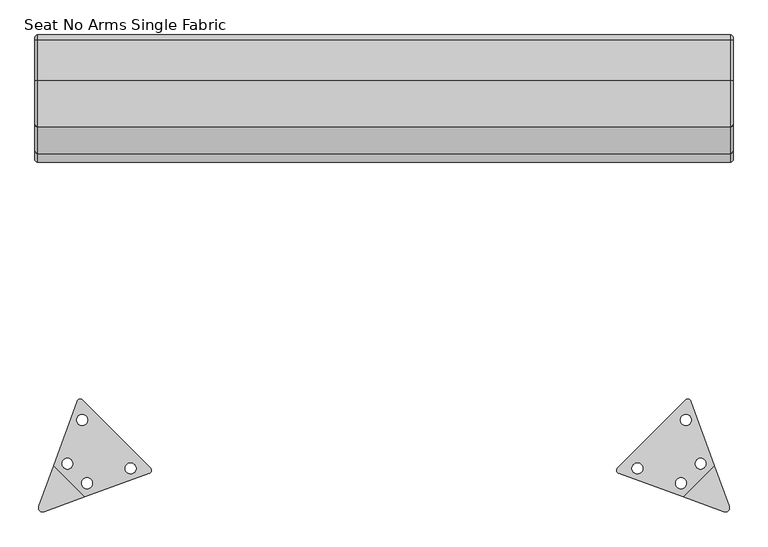
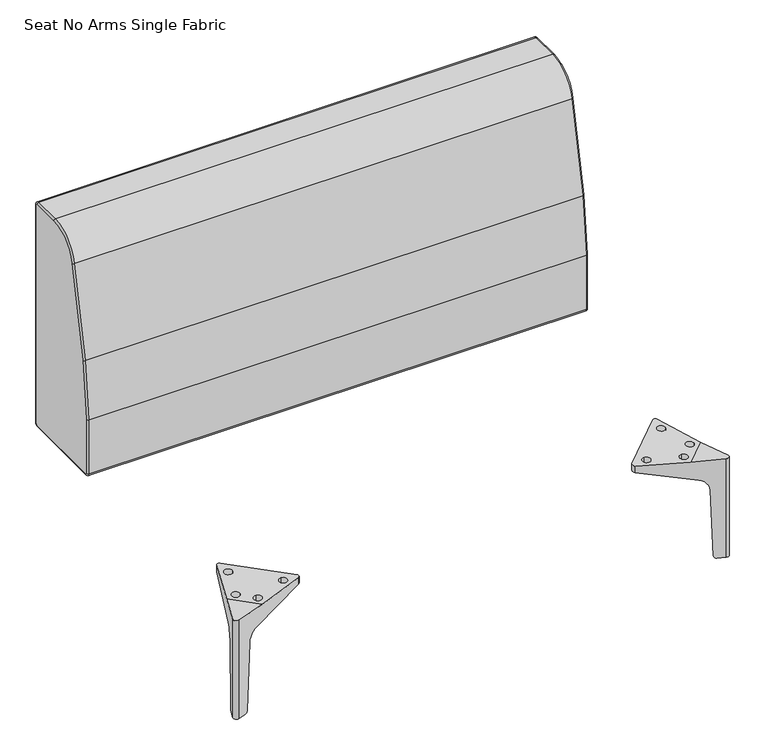
"""IFC4 building model written with IfcOpenShell, lengths in millimetres: furniture geometry, Seat No Arms Single Fabric."""

from ifc_helpers import new_model, si_unit, point, frame, origin, place, context, project, spatial, polyline, circle_curve, ellipse_curve, trimmed, source, transform, mapped, element, save
from ifc_brep_helpers import plane_surface, cylinder_surface, revolved_surface, advanced_brep


def seat_no_arms_single_fabric_af2d0e70(model_context):
    return source(origin(), model_context, "Body", "AdvancedBrep", [
        advanced_brep(
        [(494.5246751, -340.9893154, 0.0), (478.23221, -335.0592703, 0.0), (496.2806052, -317.0108752, 0.0), (502.2106124, -333.3034034, 0.0), (494.2956857, -311.5573649, 5.835), (492.2366652, -305.900264, 147.4277276), (485.3683082, -287.0296461, 170.8134729), (446.5717849, -180.4372885, 201.1142658), (446.5717849, -180.4372885, 214.9993964), (480.5698757, -273.8460875, 211.0000205), (502.2106124, -333.3034034, 211.0000205), (494.5246751, -340.9893154, 211.0000205), (435.0675404, -319.3484228, 211.0000205), (341.5311271, -285.3035352, 215.0048713), (341.5311271, -285.3035352, 201.1506152), (448.2510629, -324.1468914, 170.8134729), (467.1216292, -331.0153, 147.4277276), (472.7787146, -333.074336, 5.835), (339.7382382, -277.2161564, 215.3150186), (339.7382382, -277.2161564, 203.2097819), (438.3425719, -178.6128952, 215.3149849), (438.3425719, -178.6128952, 203.2095584), (468.4708396, -270.9884082, 211.4695204), (452.5590182, -270.9884082, 211.9690017), (452.5590182, -270.9884082, 180.994511), (468.4708396, -270.9884082, 177.6782959), (432.1142874, -307.3449604, 211.4695204), (432.1142874, -291.433139, 211.9690017), (432.1142874, -291.433139, 180.994511), (432.1142874, -307.3449604, 177.6782959), (368.5447057, -286.0025145, 214.1349581), (368.5447057, -270.0906931, 214.6344393), (368.5447057, -270.0906931, 198.6911997), (368.5447057, -286.0025145, 195.3749846), (447.1283937, -207.4188265, 214.1349581), (431.2165723, -207.4188265, 214.6344393), (431.2165723, -207.4188265, 198.6911997), (447.1283937, -207.4188265, 195.3749846)],
        [
            (0, 1),
            (1, 2),
            (2, 3),
            (3, 0, circle_curve(frame((496.5756547, -335.3543644, 0.0), z_axis=(0.0, 0.0, -1.0), x_axis=(-1.0, 0.0, 0.0)), 5.9965982)),
            (2, 4, ellipse_curve(frame((496.6084225, -317.911544, 6.0711526), z_axis=(0.9396923998770215, 0.34202075026723755, 0.0), x_axis=(0.34202075026723766, -0.9396923998770214, 0.0)), 6.7669962, 6.1329832)),
            (4, 5),
            (5, 6, ellipse_curve(frame((482.6583719, -279.5841721, 146.449692), z_axis=(-0.9396923998770215, -0.34202075026723755, 0.0), x_axis=(-0.34202075026723766, 0.9396923998770214, 0.0)), 28.0257907, 25.4)),
            (6, 7),
            (7, 8),
            (8, 9),
            (9, 10),
            (10, 3),
            (10, 11, circle_curve(frame((496.5756547, -335.3543644, 211.0000205), z_axis=(0.0, 0.0, -1.0), x_axis=(-1.0, 0.0, 0.0)), 5.9965982)),
            (11, 0),
            (11, 12),
            (12, 13),
            (13, 14),
            (14, 15),
            (15, 16, ellipse_curve(frame((440.8056092, -321.4369347, 146.449692), z_axis=(0.34202384547290726, 0.9396912733062518, 0.0), x_axis=(0.9396912733062519, -0.342023845472907, 0.0)), 28.0257477, 25.4)),
            (16, 17),
            (17, 1, ellipse_curve(frame((479.1328764, -335.3870901, 6.0711526), z_axis=(-0.34202384547290726, -0.9396912733062518, 0.0), x_axis=(-0.9396912733062519, 0.342023845472907, 0.0)), 6.7669858, 6.1329832)),
            (13, 18, ellipse_curve(frame((343.2107927, -280.6887487, 215.0970064), z_axis=(-0.03135969226807014, 0.031359692268070005, -0.9990160856571348), x_axis=(-0.7064110486826024, 0.7064110486825994, 0.04434930211735357)), 4.9157971, 4.9109604)),
            (18, 19),
            (19, 14, ellipse_curve(frame((343.2107927, -280.6887487, 201.7623297), z_axis=(0.19990965402589103, -0.19990965402589023, 0.9592039722887398), x_axis=(-0.6782596333464425, 0.6782596333464397, 0.28271494397272773)), 5.119829, 4.9109604)),
            (18, 20),
            (20, 21),
            (21, 19),
            (7, 21, ellipse_curve(frame((441.8760411, -182.1464029, 201.7367153), z_axis=(0.19990965402589103, -0.19990965402589023, 0.9592039722887398), x_axis=(-0.6782596333464425, 0.6782596333464397, 0.28271494397272773)), 5.2096399, 4.9971073)),
            (20, 8, ellipse_curve(frame((441.8760411, -182.1464029, 215.0931484), z_axis=(-0.03135969226807014, 0.031359692268070005, -0.9990160856571348), x_axis=(-0.7064110486826024, 0.7064110486825994, 0.04434930211735357)), 5.0020289, 4.9971073)),
            (22, 23, ellipse_curve(frame((460.5149289, -270.9884082, 211.7192611), z_axis=(0.03135969226807014, -0.031359692268070005, 0.9990160856571348), x_axis=(0.7064110486826024, -0.7064110486825994, -0.04434930211735357)), 7.9637463, 7.9559107)),
            (23, 24),
            (24, 25, ellipse_curve(frame((460.5149289, -270.9884082, 179.3364034), z_axis=(-0.19990965402589103, 0.19990965402589023, -0.9592039722887398), x_axis=(0.6782596333464425, -0.6782596333464397, -0.28271494397272773)), 8.2942845, 7.9559107)),
            (25, 22),
            (25, 24, ellipse_curve(frame((460.5149289, -270.9884082, 179.3364034), z_axis=(-0.19990965402589103, 0.19990965402589023, -0.9592039722887398), x_axis=(0.6782596333464425, -0.6782596333464397, -0.28271494397272773)), 8.2942845, 7.9559107)),
            (23, 22, ellipse_curve(frame((460.5149289, -270.9884082, 211.7192611), z_axis=(0.03135969226807014, -0.031359692268070005, 0.9990160856571348), x_axis=(0.7064110486826024, -0.7064110486825994, -0.04434930211735357)), 7.9637463, 7.9559107)),
            (26, 27, ellipse_curve(frame((432.1142874, -299.3890497, 211.7192611), z_axis=(0.03135969226807014, -0.031359692268070005, 0.9990160856571348), x_axis=(0.7064110486826024, -0.7064110486825994, -0.04434930211735357)), 7.9637463, 7.9559107)),
            (27, 28),
            (28, 29, ellipse_curve(frame((432.1142874, -299.3890497, 179.3364034), z_axis=(-0.19990965402589103, 0.19990965402589023, -0.9592039722887398), x_axis=(0.6782596333464425, -0.6782596333464397, -0.28271494397272773)), 8.2942845, 7.9559107)),
            (29, 26),
            (29, 28, ellipse_curve(frame((432.1142874, -299.3890497, 179.3364034), z_axis=(-0.19990965402589103, 0.19990965402589023, -0.9592039722887398), x_axis=(0.6782596333464425, -0.6782596333464397, -0.28271494397272773)), 8.2942845, 7.9559107)),
            (27, 26, ellipse_curve(frame((432.1142874, -299.3890497, 211.7192611), z_axis=(0.03135969226807014, -0.031359692268070005, 0.9990160856571348), x_axis=(0.7064110486826024, -0.7064110486825994, -0.04434930211735357)), 7.9637463, 7.9559107)),
            (30, 31, ellipse_curve(frame((368.5447057, -278.0466038, 214.3846987), z_axis=(0.03135969226807014, -0.031359692268070005, 0.9990160856571348), x_axis=(0.7064110486826024, -0.7064110486825994, -0.04434930211735357)), 7.9637463, 7.9559107)),
            (31, 32),
            (32, 33, ellipse_curve(frame((368.5447057, -278.0466038, 197.0330921), z_axis=(-0.19990965402589103, 0.19990965402589023, -0.9592039722887398), x_axis=(0.6782596333464425, -0.6782596333464397, -0.28271494397272773)), 8.2942845, 7.9559107)),
            (33, 30),
            (33, 32, ellipse_curve(frame((368.5447057, -278.0466038, 197.0330921), z_axis=(-0.19990965402589103, 0.19990965402589023, -0.9592039722887398), x_axis=(0.6782596333464425, -0.6782596333464397, -0.28271494397272773)), 8.2942845, 7.9559107)),
            (31, 30, ellipse_curve(frame((368.5447057, -278.0466038, 214.3846987), z_axis=(0.03135969226807014, -0.031359692268070005, 0.9990160856571348), x_axis=(0.7064110486826024, -0.7064110486825994, -0.04434930211735357)), 7.9637463, 7.9559107)),
            (34, 35, ellipse_curve(frame((439.172483, -207.4188265, 214.3846987), z_axis=(0.03135969226807014, -0.031359692268070005, 0.9990160856571348), x_axis=(0.7064110486826024, -0.7064110486825994, -0.04434930211735357)), 7.9637463, 7.9559107)),
            (35, 36),
            (36, 37, ellipse_curve(frame((439.172483, -207.4188265, 197.0330921), z_axis=(-0.19990965402589103, 0.19990965402589023, -0.9592039722887398), x_axis=(0.6782596333464425, -0.6782596333464397, -0.28271494397272773)), 8.2942845, 7.9559107)),
            (37, 34),
            (37, 36, ellipse_curve(frame((439.172483, -207.4188265, 197.0330921), z_axis=(-0.19990965402589103, 0.19990965402589023, -0.9592039722887398), x_axis=(0.6782596333464425, -0.6782596333464397, -0.28271494397272773)), 8.2942845, 7.9559107)),
            (35, 34, ellipse_curve(frame((439.172483, -207.4188265, 214.3846987), z_axis=(0.03135969226807014, -0.031359692268070005, 0.9990160856571348), x_axis=(0.7064110486826024, -0.7064110486825994, -0.04434930211735357)), 7.9637463, 7.9559107)),
            (16, 5),
            (4, 17),
            (6, 15),
            (12, 9),
        ],
        [
            plane_surface(frame((480.5697593, -273.8457678, 0.0), z_axis=(0.0, 0.0, -1.0), x_axis=(-0.34202075026723755, 0.9396923998770215, 0.0))),
            plane_surface(frame((446.5717849, -180.4372885, 217.9568815), z_axis=(0.9396923998770215, 0.34202075026723755, 0.0), x_axis=(0.0, 0.0, -1.0))),
            cylinder_surface(frame((496.5756547, -335.3543644, 0.0), z_axis=(0.0, 0.0, 1.0), x_axis=(-1.0, 0.0, 0.0)), 5.9965982),
            plane_surface(frame((494.5246751, -340.9893154, 217.9568815), z_axis=(-0.34202384547290726, -0.9396912733062518, 0.0), x_axis=(0.0, 0.0, -1.0))),
            cylinder_surface(frame((343.2107927, -280.6887487, 0.0), z_axis=(0.0, 0.0, 1.0), x_axis=(-1.0, 0.0, 0.0)), 4.9109604),
            plane_surface(frame((339.7382382, -277.2161564, 217.9568815), z_axis=(-0.7071029354973164, 0.7071106268548636, 0.0), x_axis=(0.0, 0.0, -1.0))),
            cylinder_surface(frame((441.8760411, -182.1464029, 0.0), z_axis=(0.0, 0.0, 1.0), x_axis=(-1.0, 0.0, 0.0)), 4.9971073),
            revolved_surface(polyline([(452.55901819999997, -270.9884082, 176.99148522228862), (452.55901819999997, -270.9884082, 212.07244769064468)]), (460.5149289, -270.9884082, 0.0), (0.0, 0.0, -1.0)),
            revolved_surface(polyline([(432.1142874, -291.433139, 176.99148522228862), (432.1142874, -291.433139, 212.07244769064468)]), (432.1142874, -299.3890497, 0.0), (0.0, 0.0, -1.0)),
            revolved_surface(polyline([(368.5447057, -270.0906931, 194.68817392228863), (368.5447057, -270.0906931, 214.73788529064467)]), (368.5447057, -278.0466038, 0.0), (0.0, 0.0, -1.0)),
            revolved_surface(polyline([(431.2165723, -207.4188265, 194.68817392228863), (431.2165723, -207.4188265, 214.73788529064467)]), (439.172483, -207.4188265, 0.0), (0.0, 0.0, -1.0)),
            plane_surface(frame((538.1930564, -267.6599942, 5.835), z_axis=(-0.7065823869582886, 0.7065823869582857, -0.03850533574271389), x_axis=(-0.7071067811865461, -0.707106781186549, 0.0))),
            plane_surface(frame((521.4655083, -250.9324461, 170.8134729), z_axis=(-0.1999096540258911, 0.19990965402589028, -0.95920397228874), x_axis=(-0.7071067811865461, -0.707106781186549, 0.0))),
            plane_surface(frame((435.3668414, -164.8337792, 215.8409292), z_axis=(0.031359692268070144, -0.03135969226807001, 0.9990160856571351), x_axis=(-0.7071067811865461, -0.707106781186549, 0.0))),
            plane_surface(frame((512.4745127, -241.9414505, 211.0000205), z_axis=(0.0, 0.0, 1.0), x_axis=(-0.7071067811865461, -0.707106781186549, 0.0))),
            revolved_surface(polyline([(473.0729699375053, -253.2485495782177, 146.449692), (414.470058737379, -311.8514607783443, 146.449692)]), (407.1565456, -355.0859984, 146.449692), (0.7071067811865461, 0.707106781186549, 0.0)),
            cylinder_surface(frame((433.2952569, -381.2247096, 6.0711526), z_axis=(-0.7071067811865461, -0.707106781186549, 0.0), x_axis=(-0.707106781186549, 0.7071067811865461, 0.0)), 6.1329832),
        ],
        [
            (0, [[1, 2, 3, 4]]),
            (1, [[5, 6, 7, 8, 9, 10, 11, 12, -3]]),
            (2, [[-12, 13, 14, -4]]),
            (3, [[-14, 15, 16, 17, 18, 19, 20, 21, -1]]),
            (4, [[22, 23, 24, -17]]),
            (5, [[25, 26, 27, -23]]),
            (6, [[28, -26, 29, -9]]),
            (7, [[30, 31, 32, 33]]),
            (7, [[34, -31, 35, -33]]),
            (8, [[36, 37, 38, 39]]),
            (8, [[40, -37, 41, -39]]),
            (9, [[42, 43, 44, 45]]),
            (9, [[46, -43, 47, -45]]),
            (10, [[48, 49, 50, 51]]),
            (10, [[52, -49, 53, -51]]),
            (11, [[-20, 54, -6, 55]]),
            (12, [[-18, -24, -27, -28, -8, 56], [-34, -32], [-40, -38], [-46, -44], [-52, -50]]),
            (13, [[-10, -29, -25, -22, -16, 57], [-35, -30], [-41, -36], [-47, -42], [-53, -48]]),
            (14, [[-15, -13, -11, -57]]),
            (15, [[-7, -54, -19, -56]]),
            (16, [[-5, -2, -21, -55]]),
        ],
    ),
        advanced_brep(
        [(-494.5246751, -340.9893154, 0.0), (-502.2106124, -333.3034034, 0.0), (-496.2806052, -317.0108752, 0.0), (-478.23221, -335.0592703, 0.0), (-502.2106124, -333.3034034, 211.0000205), (-480.5698757, -273.8460875, 211.0000205), (-446.5717849, -180.4372885, 214.9993964), (-446.5717849, -180.4372885, 201.1142658), (-485.3683082, -287.0296461, 170.8134729), (-492.2366652, -305.900264, 147.4277276), (-494.2956857, -311.5573649, 5.835), (-494.5246751, -340.9893154, 211.0000205), (-472.7787146, -333.074336, 5.835), (-467.1216292, -331.0153, 147.4277276), (-448.2510629, -324.1468914, 170.8134729), (-341.5311271, -285.3035352, 201.1506152), (-341.5311271, -285.3035352, 215.0048713), (-435.0675404, -319.3484228, 211.0000205), (-339.7382382, -277.2161564, 203.2097819), (-339.7382382, -277.2161564, 215.3150186), (-438.3425719, -178.6128952, 203.2095584), (-438.3425719, -178.6128952, 215.3149849), (-468.4708396, -270.9884082, 211.4695204), (-468.4708396, -270.9884082, 177.6782959), (-452.5590182, -270.9884082, 180.994511), (-452.5590182, -270.9884082, 211.9690017), (-432.1142874, -307.3449604, 211.4695204), (-432.1142874, -307.3449604, 177.6782959), (-432.1142874, -291.433139, 180.994511), (-432.1142874, -291.433139, 211.9690017), (-368.5447057, -286.0025145, 214.1349581), (-368.5447057, -286.0025145, 195.3749846), (-368.5447057, -270.0906931, 198.6911997), (-368.5447057, -270.0906931, 214.6344393), (-447.1283937, -207.4188265, 214.1349581), (-447.1283937, -207.4188265, 195.3749846), (-431.2165723, -207.4188265, 198.6911997), (-431.2165723, -207.4188265, 214.6344393)],
        [
            (0, 1, circle_curve(frame((-496.5756547, -335.3543644, 0.0), z_axis=(0.0, 0.0, -1.0), x_axis=(1.0, 0.0, 0.0)), 5.9965982)),
            (1, 2),
            (2, 3),
            (3, 0),
            (1, 4),
            (4, 5),
            (5, 6),
            (6, 7),
            (7, 8),
            (8, 9, ellipse_curve(frame((-482.6583719, -279.5841721, 146.449692), z_axis=(0.9396923998770215, -0.34202075026723755, 0.0), x_axis=(0.34202075026723766, 0.9396923998770214, 0.0)), 28.0257907, 25.4)),
            (9, 10),
            (10, 2, ellipse_curve(frame((-496.6084225, -317.911544, 6.0711526), z_axis=(-0.9396923998770215, 0.34202075026723755, 0.0), x_axis=(-0.34202075026723766, -0.9396923998770214, 0.0)), 6.7669962, 6.1329832)),
            (0, 11),
            (11, 4, circle_curve(frame((-496.5756547, -335.3543644, 211.0000205), z_axis=(0.0, 0.0, -1.0), x_axis=(1.0, 0.0, 0.0)), 5.9965982)),
            (3, 12, ellipse_curve(frame((-479.1328764, -335.3870901, 6.0711526), z_axis=(0.34202384547290726, -0.9396912733062518, 0.0), x_axis=(0.9396912733062519, 0.342023845472907, 0.0)), 6.7669858, 6.1329832)),
            (12, 13),
            (13, 14, ellipse_curve(frame((-440.8056092, -321.4369347, 146.449692), z_axis=(-0.34202384547290726, 0.9396912733062518, 0.0), x_axis=(-0.9396912733062519, -0.342023845472907, 0.0)), 28.0257477, 25.4)),
            (14, 15),
            (15, 16),
            (16, 17),
            (17, 11),
            (15, 18, ellipse_curve(frame((-343.2107927, -280.6887487, 201.7623297), z_axis=(-0.19990965402589103, -0.19990965402589023, 0.9592039722887398), x_axis=(0.6782596333464425, 0.6782596333464397, 0.28271494397272773)), 5.119829, 4.9109604)),
            (18, 19),
            (19, 16, ellipse_curve(frame((-343.2107927, -280.6887487, 215.0970064), z_axis=(0.03135969226807014, 0.031359692268070005, -0.9990160856571348), x_axis=(0.7064110486826024, 0.7064110486825994, 0.04434930211735357)), 4.9157971, 4.9109604)),
            (18, 20),
            (20, 21),
            (21, 19),
            (6, 21, ellipse_curve(frame((-441.8760411, -182.1464029, 215.0931484), z_axis=(0.03135969226807014, 0.031359692268070005, -0.9990160856571348), x_axis=(0.7064110486826024, 0.7064110486825994, 0.04434930211735357)), 5.0020289, 4.9971073)),
            (20, 7, ellipse_curve(frame((-441.8760411, -182.1464029, 201.7367153), z_axis=(-0.19990965402589103, -0.19990965402589023, 0.9592039722887398), x_axis=(0.6782596333464425, 0.6782596333464397, 0.28271494397272773)), 5.2096399, 4.9971073)),
            (22, 23),
            (23, 24, ellipse_curve(frame((-460.5149289, -270.9884082, 179.3364034), z_axis=(0.19990965402589103, 0.19990965402589023, -0.9592039722887398), x_axis=(-0.6782596333464425, -0.6782596333464397, -0.28271494397272773)), 8.2942845, 7.9559107)),
            (24, 25),
            (25, 22, ellipse_curve(frame((-460.5149289, -270.9884082, 211.7192611), z_axis=(-0.03135969226807014, -0.031359692268070005, 0.9990160856571348), x_axis=(-0.7064110486826024, -0.7064110486825994, -0.04434930211735357)), 7.9637463, 7.9559107)),
            (22, 25, ellipse_curve(frame((-460.5149289, -270.9884082, 211.7192611), z_axis=(-0.03135969226807014, -0.031359692268070005, 0.9990160856571348), x_axis=(-0.7064110486826024, -0.7064110486825994, -0.04434930211735357)), 7.9637463, 7.9559107)),
            (24, 23, ellipse_curve(frame((-460.5149289, -270.9884082, 179.3364034), z_axis=(0.19990965402589103, 0.19990965402589023, -0.9592039722887398), x_axis=(-0.6782596333464425, -0.6782596333464397, -0.28271494397272773)), 8.2942845, 7.9559107)),
            (26, 27),
            (27, 28, ellipse_curve(frame((-432.1142874, -299.3890497, 179.3364034), z_axis=(0.19990965402589103, 0.19990965402589023, -0.9592039722887398), x_axis=(-0.6782596333464425, -0.6782596333464397, -0.28271494397272773)), 8.2942845, 7.9559107)),
            (28, 29),
            (29, 26, ellipse_curve(frame((-432.1142874, -299.3890497, 211.7192611), z_axis=(-0.03135969226807014, -0.031359692268070005, 0.9990160856571348), x_axis=(-0.7064110486826024, -0.7064110486825994, -0.04434930211735357)), 7.9637463, 7.9559107)),
            (26, 29, ellipse_curve(frame((-432.1142874, -299.3890497, 211.7192611), z_axis=(-0.03135969226807014, -0.031359692268070005, 0.9990160856571348), x_axis=(-0.7064110486826024, -0.7064110486825994, -0.04434930211735357)), 7.9637463, 7.9559107)),
            (28, 27, ellipse_curve(frame((-432.1142874, -299.3890497, 179.3364034), z_axis=(0.19990965402589103, 0.19990965402589023, -0.9592039722887398), x_axis=(-0.6782596333464425, -0.6782596333464397, -0.28271494397272773)), 8.2942845, 7.9559107)),
            (30, 31),
            (31, 32, ellipse_curve(frame((-368.5447057, -278.0466038, 197.0330921), z_axis=(0.19990965402589103, 0.19990965402589023, -0.9592039722887398), x_axis=(-0.6782596333464425, -0.6782596333464397, -0.28271494397272773)), 8.2942845, 7.9559107)),
            (32, 33),
            (33, 30, ellipse_curve(frame((-368.5447057, -278.0466038, 214.3846987), z_axis=(-0.03135969226807014, -0.031359692268070005, 0.9990160856571348), x_axis=(-0.7064110486826024, -0.7064110486825994, -0.04434930211735357)), 7.9637463, 7.9559107)),
            (30, 33, ellipse_curve(frame((-368.5447057, -278.0466038, 214.3846987), z_axis=(-0.03135969226807014, -0.031359692268070005, 0.9990160856571348), x_axis=(-0.7064110486826024, -0.7064110486825994, -0.04434930211735357)), 7.9637463, 7.9559107)),
            (32, 31, ellipse_curve(frame((-368.5447057, -278.0466038, 197.0330921), z_axis=(0.19990965402589103, 0.19990965402589023, -0.9592039722887398), x_axis=(-0.6782596333464425, -0.6782596333464397, -0.28271494397272773)), 8.2942845, 7.9559107)),
            (34, 35),
            (35, 36, ellipse_curve(frame((-439.172483, -207.4188265, 197.0330921), z_axis=(0.19990965402589103, 0.19990965402589023, -0.9592039722887398), x_axis=(-0.6782596333464425, -0.6782596333464397, -0.28271494397272773)), 8.2942845, 7.9559107)),
            (36, 37),
            (37, 34, ellipse_curve(frame((-439.172483, -207.4188265, 214.3846987), z_axis=(-0.03135969226807014, -0.031359692268070005, 0.9990160856571348), x_axis=(-0.7064110486826024, -0.7064110486825994, -0.04434930211735357)), 7.9637463, 7.9559107)),
            (34, 37, ellipse_curve(frame((-439.172483, -207.4188265, 214.3846987), z_axis=(-0.03135969226807014, -0.031359692268070005, 0.9990160856571348), x_axis=(-0.7064110486826024, -0.7064110486825994, -0.04434930211735357)), 7.9637463, 7.9559107)),
            (36, 35, ellipse_curve(frame((-439.172483, -207.4188265, 197.0330921), z_axis=(0.19990965402589103, 0.19990965402589023, -0.9592039722887398), x_axis=(-0.6782596333464425, -0.6782596333464397, -0.28271494397272773)), 8.2942845, 7.9559107)),
            (12, 10),
            (9, 13),
            (14, 8),
            (5, 17),
        ],
        [
            plane_surface(frame((-480.5697593, -273.8457678, 0.0), z_axis=(0.0, 0.0, -1.0), x_axis=(0.34202075026723755, 0.9396923998770215, 0.0))),
            plane_surface(frame((-446.5717849, -180.4372885, 217.9568815), z_axis=(-0.9396923998770215, 0.34202075026723755, 0.0), x_axis=(0.0, 0.0, -1.0))),
            cylinder_surface(frame((-496.5756547, -335.3543644, 0.0), z_axis=(0.0, 0.0, 1.0), x_axis=(1.0, 0.0, 0.0)), 5.9965982),
            plane_surface(frame((-494.5246751, -340.9893154, 217.9568815), z_axis=(0.34202384547290726, -0.9396912733062518, 0.0), x_axis=(0.0, 0.0, -1.0))),
            cylinder_surface(frame((-343.2107927, -280.6887487, 0.0), z_axis=(0.0, 0.0, 1.0), x_axis=(1.0, 0.0, 0.0)), 4.9109604),
            plane_surface(frame((-339.7382382, -277.2161564, 217.9568815), z_axis=(0.7071029354973164, 0.7071106268548636, 0.0), x_axis=(0.0, 0.0, -1.0))),
            cylinder_surface(frame((-441.8760411, -182.1464029, 0.0), z_axis=(0.0, 0.0, 1.0), x_axis=(1.0, 0.0, 0.0)), 4.9971073),
            revolved_surface(polyline([(-452.55901819999997, -270.9884082, 176.99148522228862), (-452.55901819999997, -270.9884082, 212.07244769064468)]), (-460.5149289, -270.9884082, 0.0), (0.0, 0.0, -1.0)),
            revolved_surface(polyline([(-432.1142874, -291.433139, 176.99148522228862), (-432.1142874, -291.433139, 212.07244769064468)]), (-432.1142874, -299.3890497, 0.0), (0.0, 0.0, -1.0)),
            revolved_surface(polyline([(-368.5447057, -270.0906931, 194.68817392228863), (-368.5447057, -270.0906931, 214.73788529064467)]), (-368.5447057, -278.0466038, 0.0), (0.0, 0.0, -1.0)),
            revolved_surface(polyline([(-431.2165723, -207.4188265, 194.68817392228863), (-431.2165723, -207.4188265, 214.73788529064467)]), (-439.172483, -207.4188265, 0.0), (0.0, 0.0, -1.0)),
            plane_surface(frame((-538.1930564, -267.6599942, 5.835), z_axis=(0.7065823869582886, 0.7065823869582857, -0.03850533574271389), x_axis=(0.7071067811865461, -0.707106781186549, 0.0))),
            plane_surface(frame((-521.4655083, -250.9324461, 170.8134729), z_axis=(0.1999096540258911, 0.19990965402589028, -0.95920397228874), x_axis=(0.7071067811865461, -0.707106781186549, 0.0))),
            plane_surface(frame((-435.3668414, -164.8337792, 215.8409292), z_axis=(-0.031359692268070144, -0.03135969226807001, 0.9990160856571351), x_axis=(0.7071067811865461, -0.707106781186549, 0.0))),
            plane_surface(frame((-512.4745127, -241.9414505, 211.0000205), z_axis=(0.0, 0.0, 1.0), x_axis=(0.7071067811865461, -0.707106781186549, 0.0))),
            revolved_surface(polyline([(-473.0729699375053, -253.2485495782177, 146.449692), (-414.470058737379, -311.8514607783443, 146.449692)]), (-407.1565456, -355.0859984, 146.449692), (-0.7071067811865461, 0.707106781186549, 0.0)),
            cylinder_surface(frame((-433.2952568, -381.2247096, 6.0711526), z_axis=(0.7071067811865461, -0.707106781186549, 0.0), x_axis=(0.707106781186549, 0.7071067811865461, 0.0)), 6.1329832),
        ],
        [
            (0, [[1, 2, 3, 4]]),
            (1, [[-2, 5, 6, 7, 8, 9, 10, 11, 12]]),
            (2, [[-1, 13, 14, -5]]),
            (3, [[-4, 15, 16, 17, 18, 19, 20, 21, -13]]),
            (4, [[-19, 22, 23, 24]]),
            (5, [[-23, 25, 26, 27]]),
            (6, [[-8, 28, -26, 29]]),
            (7, [[30, 31, 32, 33]]),
            (7, [[-30, 34, -32, 35]]),
            (8, [[36, 37, 38, 39]]),
            (8, [[-36, 40, -38, 41]]),
            (9, [[42, 43, 44, 45]]),
            (9, [[-42, 46, -44, 47]]),
            (10, [[48, 49, 50, 51]]),
            (10, [[-48, 52, -50, 53]]),
            (11, [[54, -11, 55, -16]]),
            (12, [[56, -9, -29, -25, -22, -18], [-31, -35], [-37, -41], [-43, -47], [-49, -53]]),
            (13, [[57, -20, -24, -27, -28, -7], [-33, -34], [-39, -40], [-45, -46], [-51, -52]]),
            (14, [[-57, -6, -14, -21]]),
            (15, [[-56, -17, -55, -10]]),
            (16, [[-54, -15, -3, -12]]),
        ],
    ),
        advanced_brep(
        [(504.0303319, 218.8654025, 640.2286506), (504.0303319, 285.9496329, 694.6940308), (-504.0303319, 285.9496329, 694.6940308), (-504.0303319, 218.8654025, 640.2286506), (-504.0303319, 180.0693224, 455.3931175), (504.0303319, 180.0693224, 455.3931175), (-504.0303319, 167.6234461, 335.509659), (504.0303319, 167.6234461, 335.509659), (-504.0303319, 167.6234461, 220.3093433), (504.0303319, 167.6234461, 220.3093433), (-504.0303319, 174.6481336, 213.2846558), (504.0303319, 174.6481336, 213.2846558), (-504.0303319, 345.5999975, 213.2846558), (504.0303319, 345.5999975, 213.2846558), (-504.0303319, 352.624685, 220.3093433), (504.0303319, 352.624685, 220.3093433), (-504.0303319, 352.624685, 687.6693433), (504.0303319, 352.624685, 687.6693433), (-504.0303319, 345.5999975, 694.6940308), (504.0303319, 345.5999975, 694.6940308), (-507.8403319, 285.9496329, 690.8840308), (-507.8403319, 345.5999975, 690.8840308), (-507.8403319, 348.814685, 687.6693433), (-507.8403319, 348.814685, 220.3093433), (-507.8403319, 345.5999975, 217.0946558), (-507.8403319, 174.6481336, 217.0946558), (-507.8403319, 171.4334461, 220.3093433), (-507.8403319, 171.4334461, 335.509659), (-507.8403319, 183.7980708, 454.6104714), (-507.8403319, 222.5941509, 639.4460045), (507.8403319, 222.5941509, 639.4460045), (507.8403319, 285.9496329, 690.8840308), (507.8403319, 183.7980708, 454.6104714), (507.8403319, 171.4334461, 335.509659), (507.8403319, 171.4334461, 220.3093433), (507.8403319, 174.6481336, 217.0946558), (507.8403319, 345.5999975, 217.0946558), (507.8403319, 348.814685, 220.3093433), (507.8403319, 348.814685, 687.6693433), (507.8403319, 345.5999975, 690.8840308)],
        [
            (0, 1, circle_curve(frame((504.0303319, 285.9496329, 626.1479967), z_axis=(-1.0, 0.0, 0.0), x_axis=(0.0, 0.0, 1.0)), 68.546034)),
            (1, 2),
            (2, 3, circle_curve(frame((-504.0303319, 285.9496329, 626.1479967), z_axis=(1.0, 0.0, 0.0), x_axis=(0.0, 0.0, 1.0)), 68.546034)),
            (3, 0),
            (3, 4),
            (4, 5),
            (5, 0),
            (4, 6, circle_curve(frame((-504.0303319, 751.2281336, 335.509659), z_axis=(1.0, 0.0, 0.0), x_axis=(0.0, -0.9786741324164195, 0.20541894396322957)), 583.6046875)),
            (6, 7),
            (7, 5, circle_curve(frame((504.0303319, 751.2281336, 335.509659), z_axis=(-1.0, 0.0, 0.0), x_axis=(0.0, -0.9786741324164195, 0.20541894396322957)), 583.6046875)),
            (6, 8),
            (8, 9),
            (9, 7),
            (8, 10, circle_curve(frame((-504.0303319, 174.6481336, 220.3093433), z_axis=(1.0, 0.0, 0.0), x_axis=(0.0, -1.0, 0.0)), 7.0246875)),
            (10, 11),
            (11, 9, circle_curve(frame((504.0303319, 174.6481336, 220.3093433), z_axis=(-1.0, 0.0, 0.0), x_axis=(0.0, -1.0, 0.0)), 7.0246875)),
            (10, 12),
            (12, 13),
            (13, 11),
            (12, 14, circle_curve(frame((-504.0303319, 345.5999975, 220.3093433), z_axis=(1.0, 0.0, 0.0), x_axis=(0.0, 0.0, -1.0)), 7.0246875)),
            (14, 15),
            (15, 13, circle_curve(frame((504.0303319, 345.5999975, 220.3093433), z_axis=(-1.0, 0.0, 0.0), x_axis=(0.0, 0.0, -1.0)), 7.0246875)),
            (14, 16),
            (16, 17),
            (17, 15),
            (16, 18, circle_curve(frame((-504.0303319, 345.5999975, 687.6693433), z_axis=(1.0, 0.0, 0.0), x_axis=(0.0, 1.0, 0.0)), 7.0246875)),
            (18, 19),
            (19, 17, circle_curve(frame((504.0303319, 345.5999975, 687.6693433), z_axis=(-1.0, 0.0, 0.0), x_axis=(0.0, 1.0, 0.0)), 7.0246875)),
            (20, 21),
            (21, 22, circle_curve(frame((-507.8403319, 345.5999975, 687.6693433), z_axis=(-1.0, 0.0, 0.0), x_axis=(0.0, 1.0, 0.0)), 3.2146875)),
            (22, 23),
            (23, 24, circle_curve(frame((-507.8403319, 345.5999975, 220.3093433), z_axis=(-1.0, 0.0, 0.0), x_axis=(0.0, 0.0, -1.0)), 3.2146875)),
            (24, 25),
            (25, 26, circle_curve(frame((-507.8403319, 174.6481336, 220.3093433), z_axis=(-1.0, 0.0, 0.0), x_axis=(0.0, -1.0, 0.0)), 3.2146875)),
            (26, 27),
            (27, 28, circle_curve(frame((-507.8403319, 751.2281336, 335.509659), z_axis=(-1.0, 0.0, 0.0), x_axis=(0.0, -0.9786741324164195, 0.20541894396322957)), 579.7946875)),
            (28, 29),
            (29, 20, circle_curve(frame((-507.8403319, 285.9496329, 626.1479967), z_axis=(-1.0, 0.0, 0.0), x_axis=(0.0, 0.0, 1.0)), 64.736034)),
            (1, 19),
            (18, 2),
            (2, 20, circle_curve(frame((-504.0303319, 285.9496329, 690.8840308), z_axis=(0.0, -1.0, 0.0), x_axis=(0.0, 0.0, -1.0)), 3.81)),
            (29, 3, circle_curve(frame((-504.0303319, 222.5941509, 639.4460045), z_axis=(0.0, 0.20541894396322913, 0.9786741324164197), x_axis=(0.0, 0.9786741324164197, -0.20541894396322913)), 3.81)),
            (0, 30, circle_curve(frame((504.0303319, 222.5941509, 639.4460045), z_axis=(0.0, 0.2054189439632289, 0.9786741324164198), x_axis=(0.0, 0.9786741324164198, -0.2054189439632289)), 3.81)),
            (30, 31, circle_curve(frame((507.8403319, 285.9496329, 626.1479967), z_axis=(-1.0, 0.0, 0.0), x_axis=(0.0, 0.0, 1.0)), 64.736034)),
            (31, 1, circle_curve(frame((504.0303319, 285.9496329, 690.8840308), z_axis=(0.0, -1.0, 0.0), x_axis=(0.0, 0.0, -1.0)), 3.81)),
            (28, 4, circle_curve(frame((-504.0303319, 183.7980708, 454.6104714), z_axis=(0.0, 0.20541894396322954, 0.9786741324164198), x_axis=(0.0, 0.9786741324164195, -0.2054189439632295)), 3.81)),
            (5, 32, circle_curve(frame((504.0303319, 183.7980708, 454.6104714), z_axis=(0.0, 0.20541894396322954, 0.9786741324164198), x_axis=(0.0, 0.9786741324164195, -0.2054189439632295)), 3.81)),
            (32, 30),
            (27, 6, circle_curve(frame((-504.0303319, 171.4334461, 335.509659), z_axis=(0.0, 0.0, 0.9999999999999999), x_axis=(0.0, 0.9999999999999999, 0.0)), 3.81)),
            (7, 33, circle_curve(frame((504.0303319, 171.4334461, 335.509659), z_axis=(0.0, 0.0, 1.0), x_axis=(0.0, 1.0, 0.0)), 3.81)),
            (33, 32, circle_curve(frame((507.8403319, 751.2281336, 335.509659), z_axis=(-1.0, 0.0, 0.0), x_axis=(0.0, -0.9786741324164195, 0.20541894396322957)), 579.7946875)),
            (26, 8, circle_curve(frame((-504.0303319, 171.4334461, 220.3093433), z_axis=(0.0, 0.0, 1.0), x_axis=(0.0, 1.0, 0.0)), 3.81)),
            (9, 34, circle_curve(frame((504.0303319, 171.4334461, 220.3093433), z_axis=(0.0, 0.0, 1.0), x_axis=(0.0, 1.0, 0.0)), 3.81)),
            (34, 33),
            (25, 10, circle_curve(frame((-504.0303319, 174.6481336, 217.0946558), z_axis=(0.0, -1.0, 0.0), x_axis=(0.0, 0.0, 1.0)), 3.81)),
            (11, 35, circle_curve(frame((504.0303319, 174.6481336, 217.0946558), z_axis=(0.0, -1.0, 0.0), x_axis=(0.0, 0.0, 1.0)), 3.81)),
            (35, 34, circle_curve(frame((507.8403319, 174.6481336, 220.3093433), z_axis=(-1.0, 0.0, 0.0), x_axis=(0.0, -1.0, 0.0)), 3.2146875)),
            (24, 12, circle_curve(frame((-504.0303319, 345.5999975, 217.0946558), z_axis=(0.0, -1.0, 0.0), x_axis=(0.0, 0.0, 1.0)), 3.81)),
            (13, 36, circle_curve(frame((504.0303319, 345.5999975, 217.0946558), z_axis=(0.0, -1.0, 0.0), x_axis=(0.0, 0.0, 1.0)), 3.81)),
            (36, 35),
            (23, 14, circle_curve(frame((-504.0303319, 348.814685, 220.3093433), z_axis=(0.0, 0.0, -1.0), x_axis=(0.0, -1.0, 0.0)), 3.81)),
            (15, 37, circle_curve(frame((504.0303319, 348.814685, 220.3093433), z_axis=(0.0, 0.0, -1.0), x_axis=(0.0, -1.0, 0.0)), 3.81)),
            (37, 36, circle_curve(frame((507.8403319, 345.5999975, 220.3093433), z_axis=(-1.0, 0.0, 0.0), x_axis=(0.0, 0.0, -1.0)), 3.2146875)),
            (22, 16, circle_curve(frame((-504.0303319, 348.814685, 687.6693433), z_axis=(0.0, 0.0, -1.0), x_axis=(0.0, -1.0, 0.0)), 3.81)),
            (17, 38, circle_curve(frame((504.0303319, 348.814685, 687.6693433), z_axis=(0.0, 0.0, -1.0), x_axis=(0.0, -1.0, 0.0)), 3.81)),
            (38, 37),
            (21, 18, circle_curve(frame((-504.0303319, 345.5999975, 690.8840308), z_axis=(0.0, 1.0, 0.0), x_axis=(0.0, 0.0, -1.0)), 3.81)),
            (19, 39, circle_curve(frame((504.0303319, 345.5999975, 690.8840308), z_axis=(0.0, 1.0, 0.0), x_axis=(0.0, 0.0, -1.0)), 3.81)),
            (39, 38, circle_curve(frame((507.8403319, 345.5999975, 687.6693433), z_axis=(-1.0, 0.0, 0.0), x_axis=(0.0, 1.0, 0.0)), 3.2146875)),
            (31, 39),
        ],
        [
            cylinder_surface(frame((0.0, 285.9496329, 626.1479967), z_axis=(1.0, 0.0, 0.0), x_axis=(0.0, 0.0, 1.0)), 68.546034),
            plane_surface(frame((-504.0303319, 218.8654025, 640.2286506), z_axis=(0.0, -0.9786741324164197, 0.20541894396322954), x_axis=(0.0, -0.20541894396322954, -0.9786741324164197))),
            cylinder_surface(frame((0.0, 751.2281336, 335.509659), z_axis=(1.0, 0.0, 0.0), x_axis=(0.0, -0.9786741324164195, 0.20541894396322957)), 583.6046875),
            plane_surface(frame((-504.0303319, 167.6234461, 335.509659), z_axis=(0.0, -1.0, 0.0), x_axis=(0.0, 0.0, -1.0))),
            cylinder_surface(frame((0.0, 174.6481336, 220.3093433), z_axis=(1.0, 0.0, 0.0), x_axis=(0.0, -1.0, 0.0)), 7.0246875),
            plane_surface(frame((-504.0303319, 174.6481336, 213.2846558), z_axis=(0.0, 0.0, -1.0), x_axis=(0.0, 1.0, 0.0))),
            cylinder_surface(frame((0.0, 345.5999975, 220.3093433), z_axis=(1.0, 0.0, 0.0), x_axis=(0.0, 0.0, -1.0)), 7.0246875),
            plane_surface(frame((-504.0303319, 352.624685, 220.3093433), z_axis=(0.0, 1.0, 0.0), x_axis=(0.0, 0.0, 1.0))),
            cylinder_surface(frame((0.0, 345.5999975, 687.6693433), z_axis=(1.0, 0.0, 0.0), x_axis=(0.0, 1.0, 0.0)), 7.0246875),
            plane_surface(frame((-507.8403319, 345.5999975, 688.9393433), z_axis=(-1.0, 0.0, 0.0), x_axis=(0.0, -1.0, 0.0))),
            plane_surface(frame((-504.0303319, 345.5999975, 694.6940308), z_axis=(0.0, 0.0, 1.0), x_axis=(0.0, -1.0, 0.0))),
            revolved_surface(trimmed(ellipse_curve(frame((-504.0303319, 285.9496329, 690.8840308), z_axis=(0.0, 1.0, 0.0), x_axis=(0.0, 0.0, -1.0)), 3.81, 3.81), [point((-507.8403319, 285.9496329, 690.8840308))], [point((-504.0303319, 285.9496329, 694.6940308))], True, "CARTESIAN"), (0.0, 285.9496329, 626.1479967), (1.0, 0.0, 0.0)),
            revolved_surface(trimmed(ellipse_curve(frame((504.0303319, 285.9496329, 690.8840308), z_axis=(0.0, 1.0, 0.0), x_axis=(0.0, 0.0, -1.0)), 3.81, 3.81), [point((504.0303319, 285.9496329, 694.6940308))], [point((507.8403319, 285.9496329, 690.8840308))], True, "CARTESIAN"), (0.0, 285.9496329, 626.1479967), (1.0, 0.0, 0.0)),
            cylinder_surface(frame((-504.0303319, 222.5941509, 639.4460045), z_axis=(0.0, 0.2054189439632295, 0.9786741324164195), x_axis=(0.0, 0.9786741324164195, -0.2054189439632295)), 3.81),
            cylinder_surface(frame((504.0303319, 222.5941509, 639.4460045), z_axis=(0.0, 0.2054189439632295, 0.9786741324164195), x_axis=(0.0, 0.9786741324164195, -0.2054189439632295)), 3.81),
            revolved_surface(trimmed(ellipse_curve(frame((-504.0303319, 183.7980708, 454.6104714), z_axis=(0.0, 0.20541894396322943, 0.9786741324164195), x_axis=(0.0, 0.9786741324164195, -0.20541894396322943)), 3.81, 3.81), [point((-507.8403319, 183.7980708, 454.6104714))], [point((-504.0303319, 180.0693224, 455.3931175))], True, "CARTESIAN"), (0.0, 751.2281336, 335.509659), (1.0, 0.0, 0.0)),
            revolved_surface(trimmed(ellipse_curve(frame((504.0303319, 183.7980708, 454.6104714), z_axis=(0.0, 0.20541894396322943, 0.9786741324164195), x_axis=(0.0, 0.9786741324164195, -0.20541894396322943)), 3.81, 3.81), [point((504.0303319, 180.0693224, 455.3931175))], [point((507.8403319, 183.7980708, 454.6104714))], True, "CARTESIAN"), (0.0, 751.2281336, 335.509659), (1.0, 0.0, 0.0)),
            cylinder_surface(frame((-504.0303319, 171.4334461, 335.509659), z_axis=(0.0, 0.0, 1.0), x_axis=(0.0, 1.0, 0.0)), 3.81),
            cylinder_surface(frame((504.0303319, 171.4334461, 335.509659), z_axis=(0.0, 0.0, 1.0), x_axis=(0.0, 1.0, 0.0)), 3.81),
            revolved_surface(trimmed(ellipse_curve(frame((-504.0303319, 171.4334461, 220.3093433), z_axis=(0.0, 0.0, 1.0), x_axis=(0.0, 1.0, 0.0)), 3.81, 3.81), [point((-507.8403319, 171.4334461, 220.3093433))], [point((-504.0303319, 167.6234461, 220.3093433))], True, "CARTESIAN"), (0.0, 174.6481336, 220.3093433), (1.0, 0.0, 0.0)),
            revolved_surface(trimmed(ellipse_curve(frame((504.0303319, 171.4334461, 220.3093433), z_axis=(0.0, 0.0, 1.0), x_axis=(0.0, 1.0, 0.0)), 3.81, 3.81), [point((504.0303319, 167.6234461, 220.3093433))], [point((507.8403319, 171.4334461, 220.3093433))], True, "CARTESIAN"), (0.0, 174.6481336, 220.3093433), (1.0, 0.0, 0.0)),
            cylinder_surface(frame((-504.0303319, 174.6481336, 217.0946558), z_axis=(0.0, -1.0, 0.0), x_axis=(0.0, 0.0, 1.0)), 3.81),
            cylinder_surface(frame((504.0303319, 174.6481336, 217.0946558), z_axis=(0.0, -1.0, 0.0), x_axis=(0.0, 0.0, 1.0)), 3.81),
            revolved_surface(trimmed(ellipse_curve(frame((-504.0303319, 345.5999975, 217.0946558), z_axis=(0.0, -1.0, 0.0), x_axis=(0.0, 0.0, 1.0)), 3.81, 3.81), [point((-507.8403319, 345.5999975, 217.0946558))], [point((-504.0303319, 345.5999975, 213.2846558))], True, "CARTESIAN"), (0.0, 345.5999975, 220.3093433), (1.0, 0.0, 0.0)),
            revolved_surface(trimmed(ellipse_curve(frame((504.0303319, 345.5999975, 217.0946558), z_axis=(0.0, -1.0, 0.0), x_axis=(0.0, 0.0, 1.0)), 3.81, 3.81), [point((504.0303319, 345.5999975, 213.2846558))], [point((507.8403319, 345.5999975, 217.0946558))], True, "CARTESIAN"), (0.0, 345.5999975, 220.3093433), (1.0, 0.0, 0.0)),
            cylinder_surface(frame((-504.0303319, 348.814685, 220.3093433), z_axis=(0.0, 0.0, -1.0), x_axis=(0.0, -1.0, 0.0)), 3.81),
            cylinder_surface(frame((504.0303319, 348.814685, 220.3093433), z_axis=(0.0, 0.0, -1.0), x_axis=(0.0, -1.0, 0.0)), 3.81),
            revolved_surface(trimmed(ellipse_curve(frame((-504.0303319, 348.814685, 687.6693433), z_axis=(0.0, 0.0, -1.0), x_axis=(0.0, -1.0, 0.0)), 3.81, 3.81), [point((-507.8403319, 348.814685, 687.6693433))], [point((-504.0303319, 352.624685, 687.6693433))], True, "CARTESIAN"), (0.0, 345.5999975, 687.6693433), (1.0, 0.0, 0.0)),
            revolved_surface(trimmed(ellipse_curve(frame((504.0303319, 348.814685, 687.6693433), z_axis=(0.0, 0.0, -1.0), x_axis=(0.0, -1.0, 0.0)), 3.81, 3.81), [point((504.0303319, 352.624685, 687.6693433))], [point((507.8403319, 348.814685, 687.6693433))], True, "CARTESIAN"), (0.0, 345.5999975, 687.6693433), (1.0, 0.0, 0.0)),
            cylinder_surface(frame((-504.0303319, 345.5999975, 690.8840308), z_axis=(0.0, 1.0, 0.0), x_axis=(0.0, 0.0, -1.0)), 3.81),
            cylinder_surface(frame((504.0303319, 345.5999975, 690.8840308), z_axis=(0.0, 1.0, 0.0), x_axis=(0.0, 0.0, -1.0)), 3.81),
            plane_surface(frame((507.8403319, 345.5999975, 690.8840308), z_axis=(1.0, 0.0, 0.0), x_axis=(0.0, -1.0, 0.0))),
        ],
        [
            (0, [[1, 2, 3, 4]]),
            (1, [[-4, 5, 6, 7]]),
            (2, [[-6, 8, 9, 10]]),
            (3, [[-9, 11, 12, 13]]),
            (4, [[-12, 14, 15, 16]]),
            (5, [[-15, 17, 18, 19]]),
            (6, [[-18, 20, 21, 22]]),
            (7, [[-21, 23, 24, 25]]),
            (8, [[-24, 26, 27, 28]]),
            (9, [[29, 30, 31, 32, 33, 34, 35, 36, 37, 38]]),
            (10, [[-2, 39, -27, 40]]),
            (11, [[-3, 41, -38, 42]]),
            (12, [[-1, 43, 44, 45]]),
            (13, [[-5, -42, -37, 46]]),
            (14, [[-7, 47, 48, -43]]),
            (15, [[-8, -46, -36, 49]]),
            (16, [[-10, 50, 51, -47]]),
            (17, [[-11, -49, -35, 52]]),
            (18, [[-13, 53, 54, -50]]),
            (19, [[-14, -52, -34, 55]]),
            (20, [[-16, 56, 57, -53]]),
            (21, [[-17, -55, -33, 58]]),
            (22, [[-19, 59, 60, -56]]),
            (23, [[-20, -58, -32, 61]]),
            (24, [[-22, 62, 63, -59]]),
            (25, [[-23, -61, -31, 64]]),
            (26, [[-25, 65, 66, -62]]),
            (27, [[-26, -64, -30, 67]]),
            (28, [[-28, 68, 69, -65]]),
            (29, [[-29, -41, -40, -67]]),
            (30, [[-39, -45, 70, -68]]),
            (31, [[-44, -48, -51, -54, -57, -60, -63, -66, -69, -70]]),
        ],
    ),
    ])


if __name__ == "__main__":
    model = new_model("IFC4")
    model_context = context("Model", 3, world=origin())
    ifc_project = project(units=[si_unit("LENGTHUNIT", "METRE", prefix="MILLI")], contexts=[model_context])
    site = spatial("IfcSite", under=ifc_project)
    building = spatial("IfcBuilding", under=site)
    placement = place(None, origin())
    seat_no_arms_single_fabric_shape = seat_no_arms_single_fabric_af2d0e70(model_context)
    element("IfcFurniture", 1, ObjectType="Seat No Arms Single Fabric", at=placement, inside=building, context=model_context, shape_type="MappedRepresentation", body=[
        mapped(seat_no_arms_single_fabric_shape, transform((0.0, 0.0, 0.0), x_axis=(1.0, 0.0, 0.0), y_axis=(0.0, 1.0, 0.0), z_axis=(0.0, 0.0, 1.0))),
    ])
    save(model, "model.ifc")
